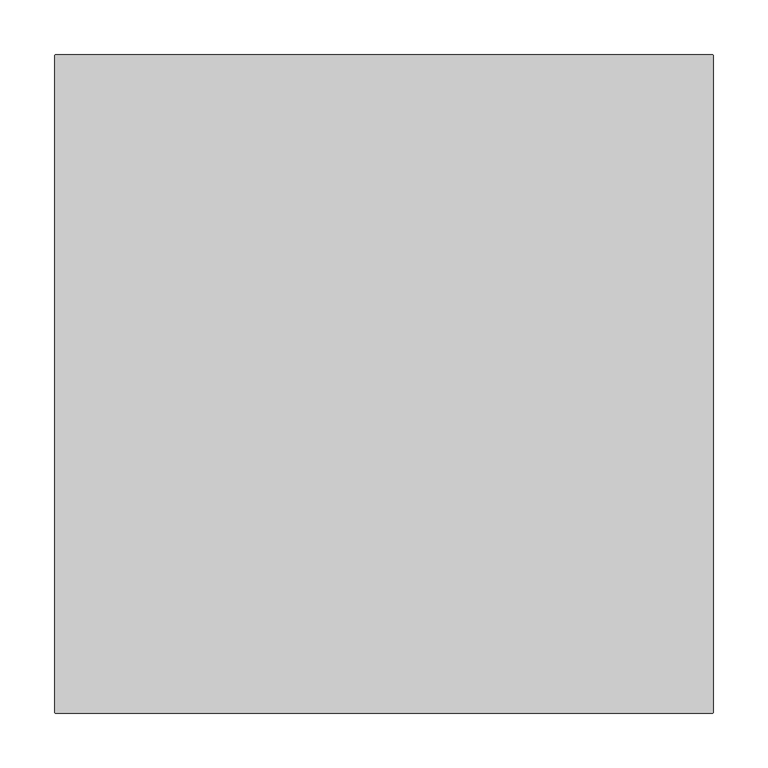
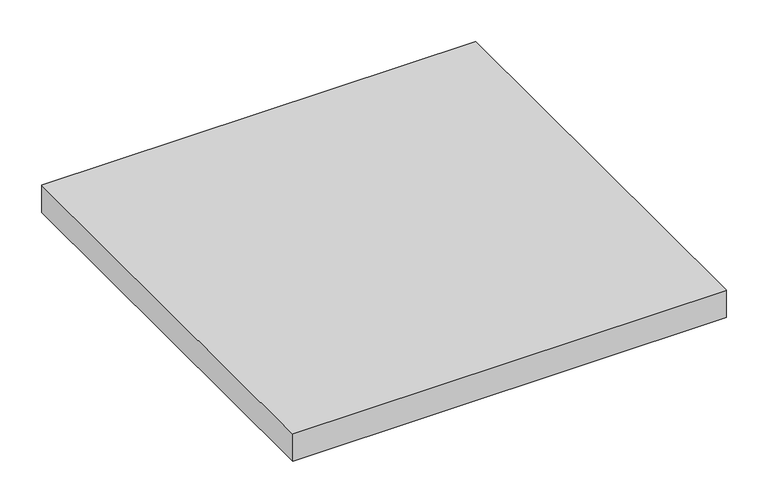
"""IFC4 building model written with IfcOpenShell, lengths in millimetres: proxy geometry."""

from ifc_helpers import new_model, si_unit, origin, origin_with_axes, place, context, project, spatial, polyline, outline, extrude, source, transform, mapped, element, save


def generic_models_c6232af4(model_context):
    return source(origin(), model_context, "Body", "SweptSolid", [
        extrude(outline(polyline([(-301.5, 300.9549776), (-300.9549776, 301.5), (300.9549776, 301.5), (301.5, 300.9549776), (301.5, -300.9549776), (300.9549776, -301.5), (-300.9549776, -301.5), (-301.5, -300.9549776), (-301.5, 300.9549776)])), origin_with_axes(), (0.0, 0.0, 1.0), 40.0),
    ])


if __name__ == "__main__":
    model = new_model("IFC4")
    model_context = context("Model", 3, world=origin())
    ifc_project = project(units=[si_unit("LENGTHUNIT", "METRE", prefix="MILLI")], contexts=[model_context])
    site = spatial("IfcSite", under=ifc_project)
    building = spatial("IfcBuilding", under=site)
    placement = place(None, origin())
    generic_models_shape = generic_models_c6232af4(model_context)
    element("IfcBuildingElementProxy", 1, Name="Generic Models", at=placement, inside=building, context=model_context, shape_type="MappedRepresentation", body=[
        mapped(generic_models_shape, transform((0.0, 0.0, 0.0), x_axis=(1.0, 0.0, 0.0), y_axis=(0.0, 1.0, 0.0), z_axis=(0.0, 0.0, 1.0))),
    ])
    save(model, "model.ifc")
